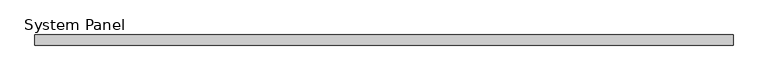
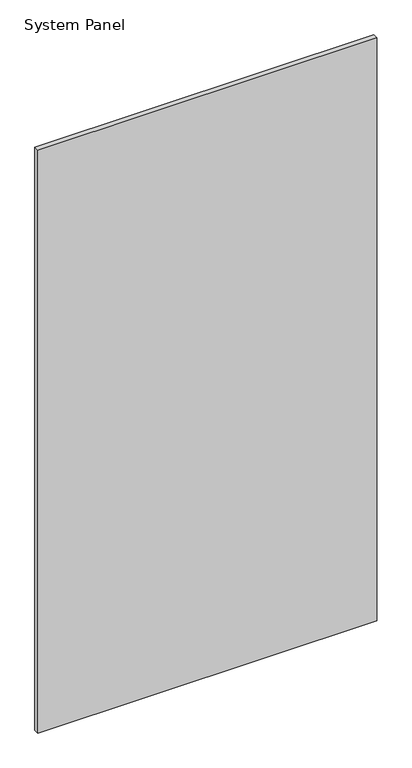
"""IFC4 building model written with IfcOpenShell, lengths in millimetres: plate geometry, System Panel."""

from ifc_helpers import new_model, si_unit, origin, origin_with_axes, place, context, project, spatial, polyline, outline, extrude, source, transform, mapped, element, save


def system_panel_4325feed(model_context):
    return source(origin(), model_context, "Body", "SweptSolid", [
        extrude(outline(polyline([(660.190407, -10.0), (-660.190407, -10.0), (-660.190407, 10.0), (660.190407, 10.0), (660.190407, -10.0)])), origin_with_axes(), (0.0, 0.0, 1.0), 2400.0),
    ])


if __name__ == "__main__":
    model = new_model("IFC4")
    model_context = context("Model", 3, world=origin())
    ifc_project = project(units=[si_unit("LENGTHUNIT", "METRE", prefix="MILLI")], contexts=[model_context])
    site = spatial("IfcSite", under=ifc_project)
    building = spatial("IfcBuilding", under=site)
    placement = place(None, origin())
    system_panel_shape = system_panel_4325feed(model_context)
    element("IfcPlate", 1, ObjectType="System Panel", at=placement, inside=building, context=model_context, shape_type="MappedRepresentation", body=[
        mapped(system_panel_shape, transform((0.0, 0.0, 0.0), x_axis=(1.0, 0.0, 0.0), y_axis=(0.0, 1.0, 0.0), z_axis=(0.0, 0.0, 1.0))),
    ])
    save(model, "model.ifc")
